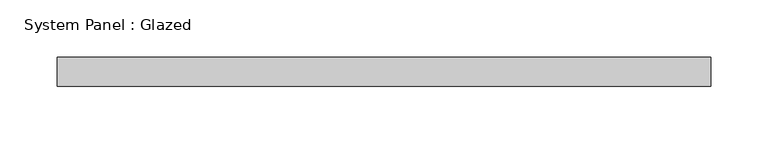
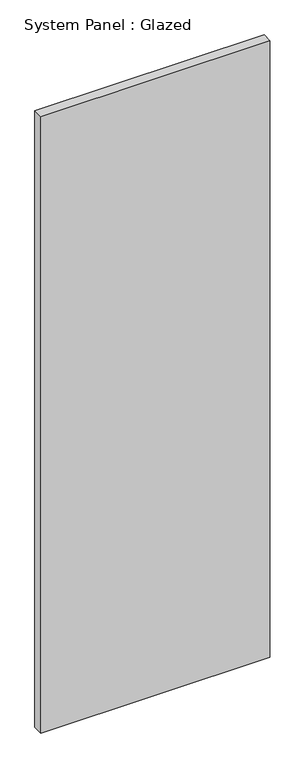
"""IFC4 building model written with IfcOpenShell, lengths in millimetres: plate geometry, System Panel : Glazed."""

import ifcopenshell
import ifcopenshell.guid

model = None  # the IFC model being written
_history = None  # IfcOwnerHistory: only IFC2X3 demands one
_inside = {}  # id of a spatial element -> (the spatial element, [elements in it])
_under = {}  # id of a project, library or spatial element -> (it, [spatial elements below it])
_declared = {}  # id of a project -> (the project, [libraries it declares])
_typed = {}  # id of a type object -> (the type object, [elements of that type])
_made_of = {}  # id of a material, layer set ... -> (it, [elements and type objects made of it])


def new_model(schema):
    """Start an empty IFC model of exactly this schema.

    Asked for "IFC4X3", IfcOpenShell would pick the latest addendum, in which some entities
    have other attributes; the version numbers below select the first issue.
    IFC2X3 requires an IfcOwnerHistory on every rooted entity: one is made here for all.
    """
    global model, _history
    if schema == "IFC4X3":
        model = ifcopenshell.file(schema_version=(4, 3, 0, 0))
    else:
        model = ifcopenshell.file(schema=schema)
    _inside.clear()
    _under.clear()
    _declared.clear()
    _typed.clear()
    _made_of.clear()
    _history = None
    if model.schema == "IFC2X3":
        org = make("IfcOrganization", Name="unknown")
        user = make(
            "IfcPersonAndOrganization",
            ThePerson=make("IfcPerson", FamilyName="unknown"),
            TheOrganization=org,
        )
        app = make(
            "IfcApplication",
            ApplicationDeveloper=org,
            Version="unknown",
            ApplicationFullName="unknown",
            ApplicationIdentifier="unknown",
        )
        _history = make(
            "IfcOwnerHistory",
            OwningUser=user,
            OwningApplication=app,
            ChangeAction="ADDED",
            CreationDate=0,
        )
    return model


def make(cls, **values):
    """One entity of the class cls with the attributes given. An attribute that is None is left unset."""
    return model.create_entity(
        cls, **{name: value for name, value in values.items() if value is not None}
    )


def rooted(cls, **values):
    """An entity with a GlobalId (a new one), such as an element, a storey or a relation."""
    return make(cls, GlobalId=ifcopenshell.guid.new(), OwnerHistory=_history, **values)


def si_unit(unit_type, name, prefix=None):
    """IfcSIUnit, for example si_unit("LENGTHUNIT", "METRE", prefix="MILLI")."""
    return make("IfcSIUnit", UnitType=unit_type, Prefix=prefix, Name=name)


def assignment(units):
    """IfcUnitAssignment: the units of a project."""
    return None if units is None else make("IfcUnitAssignment", Units=units)


def point(xyz):
    """IfcCartesianPoint."""
    return None if xyz is None else make("IfcCartesianPoint", Coordinates=xyz)


def direction(xyz):
    """IfcDirection."""
    return None if xyz is None else make("IfcDirection", DirectionRatios=xyz)


def frame(location, z_axis=None, x_axis=None):
    """IfcAxis2Placement3D, a coordinate frame: its origin and axes. An axis left out is left unset."""
    return make(
        "IfcAxis2Placement3D",
        Location=point(location),
        Axis=direction(z_axis),
        RefDirection=direction(x_axis),
    )


def origin():
    """The frame at (0, 0, 0) with its axes left unset."""
    return frame((0.0, 0.0, 0.0))


def origin_with_axes():
    """The frame at (0, 0, 0) with the z axis (0, 0, 1) and the x axis (1, 0, 0) written out."""
    return frame((0.0, 0.0, 0.0), z_axis=(0.0, 0.0, 1.0), x_axis=(1.0, 0.0, 0.0))


def place(relative_to, where):
    """IfcLocalPlacement: puts the frame where relative to a parent placement (None: the world)."""
    return make(
        "IfcLocalPlacement", PlacementRelTo=relative_to, RelativePlacement=where
    )


def context(
    kind, dimensions, precision=None, world=None, true_north=None, identifier=None
):
    """IfcGeometricRepresentationContext, for example the 3D "Model" context."""
    return make(
        "IfcGeometricRepresentationContext",
        ContextIdentifier=identifier,
        ContextType=kind,
        CoordinateSpaceDimension=dimensions,
        Precision=precision,
        WorldCoordinateSystem=world,
        TrueNorth=true_north,
    )


def project(units=None, contexts=None):
    """IfcProject with its units and contexts."""
    return rooted(
        "IfcProject",
        Name="project",
        RepresentationContexts=contexts,
        UnitsInContext=assignment(units),
    )


def spatial(cls, under=None, at=None, **own):
    """A site, building, storey or space (cls), placed at a placement, below another one or the project."""
    s = rooted(cls, ObjectPlacement=at, **own)
    if under is not None:
        _under.setdefault(under.id(), (under, []))[1].append(s)
    return s


def polyline(points):
    """IfcPolyline through the points."""
    return make("IfcPolyline", Points=[point(p) for p in points])


def outline(outer, holes=None, kind="AREA"):
    """IfcArbitraryClosedProfileDef: a profile drawn as a closed curve; with holes, ...WithVoids."""
    if holes is None:
        return make("IfcArbitraryClosedProfileDef", ProfileType=kind, OuterCurve=outer)
    return make(
        "IfcArbitraryProfileDefWithVoids",
        ProfileType=kind,
        OuterCurve=outer,
        InnerCurves=holes,
    )


def extrude(swept, where, along, depth):
    """IfcExtrudedAreaSolid: the profile swept, set in the frame where, extruded along a direction by depth."""
    return make(
        "IfcExtrudedAreaSolid",
        SweptArea=swept,
        Position=where,
        ExtrudedDirection=direction(along),
        Depth=depth,
    )


def shape(context_of_items, identifier, shape_type, items):
    """IfcShapeRepresentation: the items that make up one representation, for example the "Body"."""
    return make(
        "IfcShapeRepresentation",
        ContextOfItems=context_of_items,
        RepresentationIdentifier=identifier,
        RepresentationType=shape_type,
        Items=items,
    )


def source(mapping_origin, context_of_items, identifier, shape_type, items):
    """IfcRepresentationMap: a shape defined once, which mapped items show again and again."""
    return make(
        "IfcRepresentationMap",
        MappingOrigin=mapping_origin,
        MappedRepresentation=shape(context_of_items, identifier, shape_type, items),
    )


def transform(
    local_origin,
    x_axis=None,
    y_axis=None,
    z_axis=None,
    scale=None,
    scale2=None,
    scale3=None,
    uniform=True,
):
    """IfcCartesianTransformationOperator3D, or its non-uniform kind. x_axis, y_axis, z_axis: its Axis1, 2, 3."""
    if uniform:
        return make(
            "IfcCartesianTransformationOperator3D",
            Axis1=direction(x_axis),
            Axis2=direction(y_axis),
            LocalOrigin=point(local_origin),
            Scale=scale,
            Axis3=direction(z_axis),
        )
    return make(
        "IfcCartesianTransformationOperator3DnonUniform",
        Axis1=direction(x_axis),
        Axis2=direction(y_axis),
        LocalOrigin=point(local_origin),
        Scale=scale,
        Axis3=direction(z_axis),
        Scale2=scale2,
        Scale3=scale3,
    )


def mapped(mapping_source, mapping_target):
    """IfcMappedItem: shows the shape of a source again, moved by a transform."""
    return make(
        "IfcMappedItem", MappingSource=mapping_source, MappingTarget=mapping_target
    )


def made_of(thing, what):
    """Note that an element or type object is made of a material, layer set ...; save() writes the relation."""
    if what is not None:
        _made_of.setdefault(what.id(), (what, []))[1].append(thing)
    return thing


def element(
    cls,
    number,
    at=None,
    inside=None,
    cuts=None,
    type_object=None,
    material=None,
    context=None,
    identifier="Body",
    shape_type=None,
    held_by="IfcProductDefinitionShape",
    body=None,
    shapes=None,
    **own,
):
    """One element of the class cls, such as IfcWall. Its Tag is "e" and its number.

    at: its placement. inside: the storey or other place that contains it. cuts: it is an
    opening in that element (IfcRelVoidsElement). A single representation is given by context,
    identifier, shape_type and body (its items); several are given by shapes. held_by: the class
    of the entity that holds the representations. save() writes the other relations.
    """
    e = rooted(cls, Tag="e%d" % number, ObjectPlacement=at, **own)
    if body is not None:
        shapes = [shape(context, identifier, shape_type, body)]
    if shapes is not None:
        e.Representation = make(held_by, Representations=shapes)
    if inside is not None:
        _inside.setdefault(inside.id(), (inside, []))[1].append(e)
    if cuts is not None:
        rooted(
            "IfcRelVoidsElement", RelatingBuildingElement=cuts, RelatedOpeningElement=e
        )
    if type_object is not None:
        _typed.setdefault(type_object.id(), (type_object, []))[1].append(e)
    return made_of(e, material)


def aggregate(whole, parts):
    """IfcRelAggregates: a whole, such as a stair, and the parts it consists of."""
    return rooted("IfcRelAggregates", RelatingObject=whole, RelatedObjects=parts)


def save(model, path):
    """Write the relations noted so far, then the file.

    IfcRelAggregates (storeys below a building ...), IfcRelContainedInSpatialStructure (elements
    in a storey), IfcRelDefinesByType, IfcRelAssociatesMaterial and IfcRelDeclares: one each for
    every whole, place, type object, material and project.
    """
    for whole, parts in _under.values():
        aggregate(whole, parts)
    for where, things in _inside.values():
        rooted(
            "IfcRelContainedInSpatialStructure",
            RelatedElements=things,
            RelatingStructure=where,
        )
    for kind, things in _typed.values():
        rooted("IfcRelDefinesByType", RelatedObjects=things, RelatingType=kind)
    for what, things in _made_of.values():
        rooted("IfcRelAssociatesMaterial", RelatedObjects=things, RelatingMaterial=what)
    for by, libraries in _declared.values():
        rooted("IfcRelDeclares", RelatingContext=by, RelatedDefinitions=libraries)
    model.write(path)


def system_panel_glazed_db7ba452(model_context):
    return source(origin(), model_context, "Body", "SweptSolid", [
        extrude(outline(polyline([(285.75, -12.7), (-285.75, -12.7), (-285.75, 12.7), (285.75, 12.7), (285.75, -12.7)])), origin_with_axes(), (0.0, 0.0, 1.0), 1625.6),
    ])


if __name__ == "__main__":
    model = new_model("IFC4")
    model_context = context("Model", 3, world=origin())
    ifc_project = project(units=[si_unit("LENGTHUNIT", "METRE", prefix="MILLI")], contexts=[model_context])
    site = spatial("IfcSite", under=ifc_project)
    building = spatial("IfcBuilding", under=site)
    placement = place(None, origin())
    system_panel_glazed_shape = system_panel_glazed_db7ba452(model_context)
    element("IfcPlate", 1, ObjectType="System Panel : Glazed", at=placement, inside=building, context=model_context, shape_type="MappedRepresentation", body=[
        mapped(system_panel_glazed_shape, transform((0.0, 0.0, 0.0), x_axis=(1.0, 0.0, 0.0), y_axis=(0.0, 1.0, 0.0), z_axis=(0.0, 0.0, 1.0))),
    ])
    save(model, "model.ifc")
